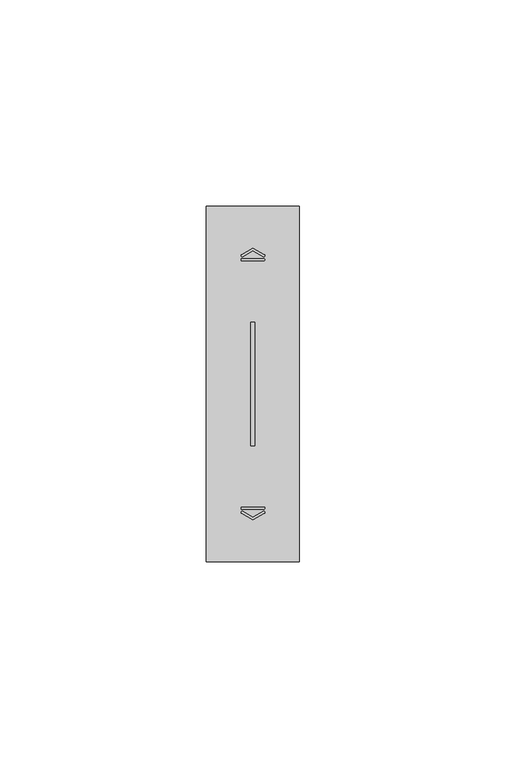
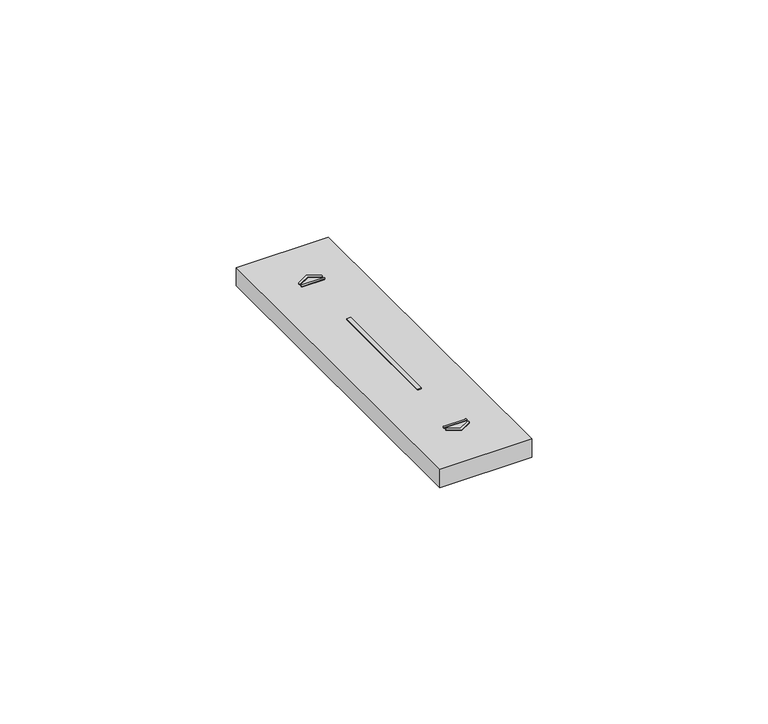
"""IFC4 building model written with IfcOpenShell, lengths in millimetres: proxy geometry."""

from ifc_helpers import new_model, si_unit, point, frame, frame_2d, origin, place, context, project, spatial, polyline, circle_curve, trimmed, segment, composite_curve, outline, extrude, source, transform, mapped, element, save


def electrical_fixtures_dd46237b(model_context):
    return source(origin(), model_context, "Body", "SweptSolid", [
        extrude(outline(composite_curve([segment(polyline([(8.5092079, 74.3175033), (11.25, 75.8674578), (13.9907962, 74.3175011)]), True, "CONTINUOUS"), segment(trimmed(circle_curve(frame_2d((13.858088, 74.0828325)), 0.2695938), [point((13.9907962, 74.3175011))], [point((13.7253797, 73.8481639))], False, "CARTESIAN"), True, "CONTINUOUS"), segment(polyline([(13.7253797, 73.8481639), (11.25, 75.2480241), (8.7746243, 73.8481662)]), True, "CONTINUOUS"), segment(trimmed(circle_curve(frame_2d((8.6419161, 74.0828348)), 0.2695938), [point((8.7746243, 73.8481662))], [point((8.5092079, 74.3175033))], False, "CARTESIAN"), True, "CONTINUOUS")], self_intersect=False)), frame((0.0, 0.0, 10.2), z_axis=(0.0, 0.0, 1.0), x_axis=(1.0, 0.0, 0.0)), (0.0, 0.0, 1.0), 0.1787452),
        extrude(outline(composite_curve([segment(polyline([(8.6216743, 73.3261218), (13.8783298, 73.3261218)]), True, "CONTINUOUS"), segment(trimmed(circle_curve(frame_2d((13.8783298, 73.0767698)), 0.249352), [point((13.8783298, 73.3261218))], [point((13.8783298, 72.8274179))], False, "CARTESIAN"), True, "CONTINUOUS"), segment(polyline([(13.8783298, 72.8274179), (8.6216743, 72.8274179)]), True, "CONTINUOUS"), segment(trimmed(circle_curve(frame_2d((8.6216743, 73.0767698)), 0.249352), [point((8.6216743, 72.8274179))], [point((8.6216743, 73.3261218))], False, "CARTESIAN"), True, "CONTINUOUS")], self_intersect=False)), frame((0.0, 0.0, 10.2), z_axis=(0.0, 0.0, 1.0), x_axis=(1.0, 0.0, 0.0)), (0.0, 0.0, 1.0), 0.1787452),
        extrude(outline(composite_curve([segment(trimmed(circle_curve(frame_2d((8.6419161, 11.9171652)), 0.2695938), [point((8.5092079, 11.6824967))], [point((8.7746243, 12.1518338))], False, "CARTESIAN"), True, "CONTINUOUS"), segment(polyline([(8.7746243, 12.1518338), (11.25, 10.7519759), (13.7253797, 12.1518361)]), True, "CONTINUOUS"), segment(trimmed(circle_curve(frame_2d((13.858088, 11.9171675)), 0.2695938), [point((13.7253797, 12.1518361))], [point((13.9907962, 11.6824989))], False, "CARTESIAN"), True, "CONTINUOUS"), segment(polyline([(13.9907962, 11.6824989), (11.25, 10.1325422), (8.5092079, 11.6824967)]), True, "CONTINUOUS")], self_intersect=False)), frame((0.0, 0.0, 10.2), z_axis=(0.0, 0.0, 1.0), x_axis=(1.0, 0.0, 0.0)), (0.0, 0.0, 1.0), 0.1787452),
        extrude(outline(composite_curve([segment(trimmed(circle_curve(frame_2d((8.6216743, 12.9232302)), 0.249352), [point((8.6216743, 12.6738782))], [point((8.6216743, 13.1725821))], False, "CARTESIAN"), True, "CONTINUOUS"), segment(polyline([(8.6216743, 13.1725821), (13.8783298, 13.1725821)]), True, "CONTINUOUS"), segment(trimmed(circle_curve(frame_2d((13.8783298, 12.9232302)), 0.249352), [point((13.8783298, 13.1725821))], [point((13.8783298, 12.6738782))], False, "CARTESIAN"), True, "CONTINUOUS"), segment(polyline([(13.8783298, 12.6738782), (8.6216743, 12.6738782)]), True, "CONTINUOUS")], self_intersect=False)), frame((0.0, 0.0, 10.2), z_axis=(0.0, 0.0, 1.0), x_axis=(1.0, 0.0, 0.0)), (0.0, 0.0, 1.0), 0.1787452),
        extrude(outline(polyline([(10.75, 58.0), (11.75, 58.0), (11.75, 28.0), (10.75, 28.0), (10.75, 58.0)])), frame((0.0, 0.0, 5.5), z_axis=(0.0, 0.0, 1.0), x_axis=(1.0, 0.0, 0.0)), (0.0, 0.0, 1.0), 4.7),
        extrude(outline(polyline([(0.0, 0.0), (0.0, 86.0), (22.5, 86.0), (22.5, 0.0), (0.0, 0.0)]), holes=[polyline([(10.75, 58.0), (10.75, 28.0), (11.75, 28.0), (11.75, 58.0), (10.75, 58.0)])]), frame((0.0, 0.0, 5.5), z_axis=(0.0, 0.0, 1.0), x_axis=(1.0, 0.0, 0.0)), (0.0, 0.0, 1.0), 4.7),
    ])


if __name__ == "__main__":
    model = new_model("IFC4")
    model_context = context("Model", 3, world=origin())
    ifc_project = project(units=[si_unit("LENGTHUNIT", "METRE", prefix="MILLI")], contexts=[model_context])
    site = spatial("IfcSite", under=ifc_project)
    building = spatial("IfcBuilding", under=site)
    placement = place(None, origin())
    electrical_fixtures_shape = electrical_fixtures_dd46237b(model_context)
    element("IfcBuildingElementProxy", 1, Name="Electrical Fixtures", at=placement, inside=building, context=model_context, shape_type="MappedRepresentation", body=[
        mapped(electrical_fixtures_shape, transform((0.0, 0.0, 0.0), x_axis=(1.0, 0.0, 0.0), y_axis=(0.0, 1.0, 0.0), z_axis=(0.0, 0.0, 1.0))),
    ])
    save(model, "model.ifc")
